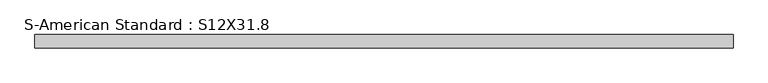
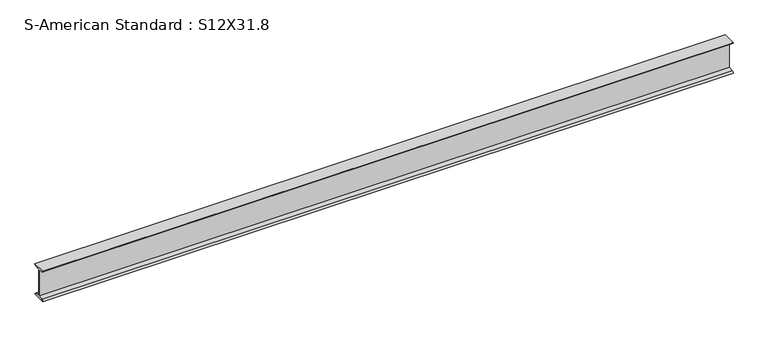
"""IFC4 building model written with IfcOpenShell, lengths in millimetres: beam geometry, S-American Standard : S12X31.8."""

from ifc_helpers import new_model, si_unit, point, frame, frame_2d, origin, place, context, project, spatial, polyline, circle_curve, trimmed, segment, composite_curve, outline, extrude, source, transform, mapped, element, save


def s_american_standard_s12x31_8_f6f79307(model_context):
    return source(origin(), model_context, "Body", "SweptSolid", [
        extrude(outline(composite_curve([segment(polyline([(-63.5, 152.4), (63.5, 152.4)]), True, "CONTINUOUS"), segment(trimmed(circle_curve(frame_2d((49.7, 152.4)), 13.8), [point((63.5, 152.4))], [point((49.7, 138.6))], False, "CARTESIAN"), True, "CONTINUOUS"), segment(polyline([(49.7, 138.6), (4.45, 131.4331041), (4.45, -131.4331041), (49.7, -138.6)]), True, "CONTINUOUS"), segment(trimmed(circle_curve(frame_2d((49.7, -152.4)), 13.8), [point((49.7, -138.6))], [point((63.5, -152.4))], False, "CARTESIAN"), True, "CONTINUOUS"), segment(polyline([(63.5, -152.4), (-63.5, -152.4)]), True, "CONTINUOUS"), segment(trimmed(circle_curve(frame_2d((-49.7, -152.4)), 13.8), [point((-63.5, -152.4))], [point((-49.7, -138.6))], False, "CARTESIAN"), True, "CONTINUOUS"), segment(polyline([(-49.7, -138.6), (-4.45, -131.4331041), (-4.45, 131.4331041), (-49.7, 138.6)]), True, "CONTINUOUS"), segment(trimmed(circle_curve(frame_2d((-49.7, 152.4)), 13.8), [point((-49.7, 138.6))], [point((-63.5, 152.4))], False, "CARTESIAN"), True, "CONTINUOUS")], self_intersect=False)), frame((-2872.5147025, 0.0, 0.0), z_axis=(1.0, 0.0, 0.0), x_axis=(0.0, 1.0, 0.0)), (0.0, 0.0, 1.0), 6544.3446012),
    ])


if __name__ == "__main__":
    model = new_model("IFC4")
    model_context = context("Model", 3, world=origin())
    ifc_project = project(units=[si_unit("LENGTHUNIT", "METRE", prefix="MILLI")], contexts=[model_context])
    site = spatial("IfcSite", under=ifc_project)
    building = spatial("IfcBuilding", under=site)
    placement = place(None, origin())
    s_american_standard_s12x31_8_shape = s_american_standard_s12x31_8_f6f79307(model_context)
    element("IfcBeam", 1, ObjectType="S-American Standard : S12X31.8", at=placement, inside=building, context=model_context, shape_type="MappedRepresentation", body=[
        mapped(s_american_standard_s12x31_8_shape, transform((0.0, 0.0, 0.0), x_axis=(1.0, 0.0, 0.0), y_axis=(0.0, 1.0, 0.0), z_axis=(0.0, 0.0, 1.0))),
    ])
    save(model, "model.ifc")
